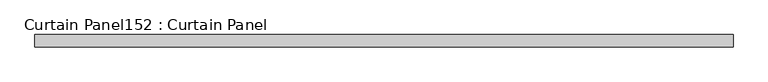
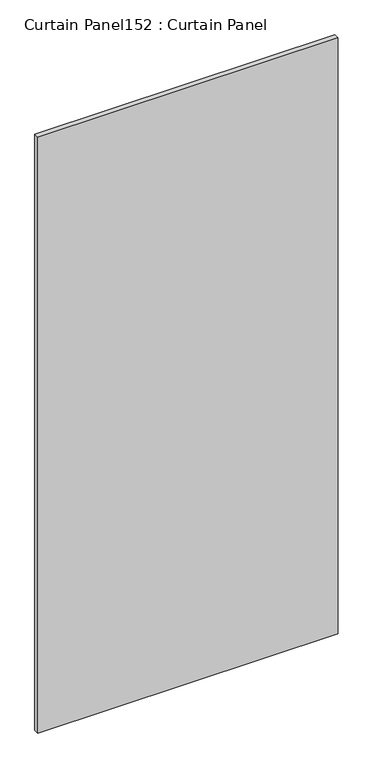
"""IFC4 building model written with IfcOpenShell, lengths in millimetres: plate geometry, Curtain Panel152 : Curtain Panel."""

from ifc_helpers import new_model, si_unit, frame, origin, place, context, project, spatial, polyline, outline, extrude, source, transform, mapped, element, save


def curtain_panel152_curtain_panel_80994c79(model_context):
    return source(origin(), model_context, "Body", "SweptSolid", [
        extrude(outline(polyline([(414896.7055215, 2289.5089321), (413443.8312536, 2289.5089321), (413443.8312536, 2314.9089321), (414896.7055215, 2314.9089321), (414896.7055215, 2289.5089321)])), frame((0.0, 0.0, 7019.7548754), z_axis=(0.0, 0.0, 1.0), x_axis=(1.0, 0.0, 0.0)), (0.0, 0.0, 1.0), 3048.0),
    ])


if __name__ == "__main__":
    model = new_model("IFC4")
    model_context = context("Model", 3, world=origin())
    ifc_project = project(units=[si_unit("LENGTHUNIT", "METRE", prefix="MILLI")], contexts=[model_context])
    site = spatial("IfcSite", under=ifc_project)
    building = spatial("IfcBuilding", under=site)
    placement = place(None, origin())
    curtain_panel152_curtain_panel_shape = curtain_panel152_curtain_panel_80994c79(model_context)
    element("IfcPlate", 1, ObjectType="Curtain Panel152 : Curtain Panel", at=placement, inside=building, context=model_context, shape_type="MappedRepresentation", body=[
        mapped(curtain_panel152_curtain_panel_shape, transform((0.0, 0.0, 0.0), x_axis=(1.0, 0.0, 0.0), y_axis=(0.0, 1.0, 0.0), z_axis=(0.0, 0.0, 1.0))),
    ])
    save(model, "model.ifc")
